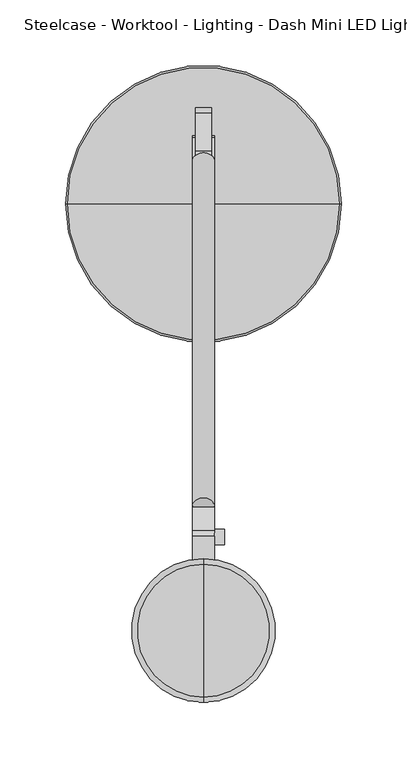
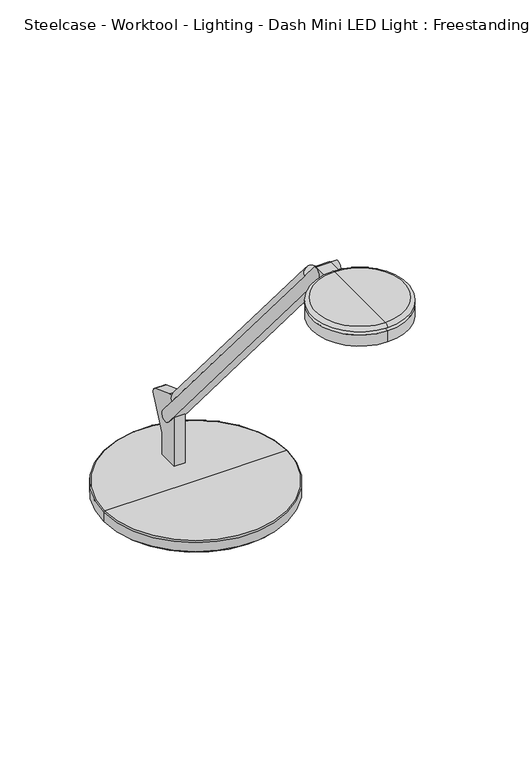
"""IFC4 building model written with IfcOpenShell, lengths in millimetres: furniture geometry, Steelcase - Worktool - Lighting - Dash Mini LED Light : Freestanding."""

from ifc_helpers import new_model, si_unit, point, frame, frame_2d, origin, place, context, project, spatial, polyline, circle_curve, ellipse_curve, trimmed, segment, composite_curve, outline, extrude, source, transform, mapped, element, save
from ifc_brep_helpers import plane_surface, cylinder_surface, revolved_surface, advanced_brep


def steelcase_worktool_lighting_dash_mini_led_light_freestanding_f6508700(model_context):
    return source(origin(), model_context, "Body", "SolidModel", [
        extrude(outline(composite_curve([segment(polyline([(8.509, -161.2861314), (-8.509, -161.2861314)]), True, "CONTINUOUS"), segment(trimmed(circle_curve(frame_2d((0.0, -161.2861314)), 8.509), [point((-8.509, -161.2861314))], [point((8.509, -161.2861314))], False, "CARTESIAN"), True, "CONTINUOUS")], self_intersect=False)), frame((0.0, 59.9275977, 934.0367561), z_axis=(0.0, -0.6453157173859881, 0.7639159802586981), x_axis=(1.0, 0.0, 0.0)), (0.0, 0.0, 1.0), 407.9752226),
        extrude(outline(composite_curve([segment(polyline([(1165.3599936, -383.6426805), (1162.4056, -381.1636499), (1162.4056, -366.3659959), (1151.5508717, -366.3659959), (1151.5508717, -352.0202702), (1154.3820582, -354.4102311)]), True, "CONTINUOUS"), segment(trimmed(circle_curve(frame_2d((1158.6105852, -349.1496158)), 6.7494084), [point((1154.3820582, -354.4102311))], [point((1165.3599936, -349.1496158))], True, "CARTESIAN"), True, "CONTINUOUS"), segment(polyline([(1165.3599936, -349.1496158), (1165.3599936, -383.6426805)]), True, "CONTINUOUS")], self_intersect=False)), frame((8.509, 0.0, 0.0), z_axis=(-1.0, 0.0, 0.0), x_axis=(0.0, 0.0, 1.0)), (0.0, 0.0, 1.0), 17.018),
        extrude(outline(composite_curve([segment(trimmed(circle_curve(frame_2d((-349.5772033, 1158.8861373)), 5.8982953), [point((-343.678908, 1158.8861373))], [point((-355.4754986, 1158.8861373))], False, "CARTESIAN"), True, "CONTINUOUS"), segment(trimmed(circle_curve(frame_2d((-349.5772033, 1158.8861373)), 5.8982953), [point((-355.4754986, 1158.8861373))], [point((-343.678908, 1158.8861373))], False, "CARTESIAN"), True, "CONTINUOUS")], self_intersect=False)), frame((8.509, 0.0, 0.0), z_axis=(1.0, 0.0, 0.0), x_axis=(0.0, 1.0, 0.0)), (0.0, 0.0, 1.0), 7.5184),
        extrude(outline(composite_curve([segment(trimmed(circle_curve(frame_2d((-57.2760289, 827.3462287)), 6.4968459), [point((-63.6335559, 826.008))], [point((-54.9477675, 833.4115568))], False, "CARTESIAN"), True, "CONTINUOUS"), segment(polyline([(-54.9477675, 833.4115568), (-26.3337634, 822.4276697)]), True, "CONTINUOUS"), segment(trimmed(circle_curve(frame_2d((-28.6602337, 816.3670075)), 6.491848), [point((-26.3337634, 822.4276697))], [point((-24.0322898, 811.8144009))], False, "CARTESIAN"), True, "CONTINUOUS"), segment(polyline([(-24.0322898, 811.8144009), (-39.5289559, 777.008319), (-39.5289559, 750.951), (-63.6335559, 750.951), (-63.6335559, 826.008)]), True, "CONTINUOUS")], self_intersect=False)), frame((-6.223, 0.0, 0.0), z_axis=(1.0, 0.0, 0.0), x_axis=(0.0, 1.0, 0.0)), (0.0, 0.0, 1.0), 12.446),
        advanced_brep(
        [(0.0, -95.563788, 750.9476331), (103.8479, -95.563788, 750.9476331), (-103.8479, -95.563788, 750.9476331), (-93.0792702, -95.563788, 731.9816908), (93.0792702, -95.563788, 731.9816908), (0.0, -95.563788, 731.9816908), (-93.0792702, -95.563788, 732.8852565), (93.0792702, -95.563788, 732.8852565), (-95.8939876, -95.563788, 732.8852565), (95.8939876, -95.563788, 732.8852565), (-102.4300117, -95.563788, 735.7952819), (102.4300117, -95.563788, 735.7952819), (-102.4300117, -95.563788, 738.6286331), (102.4300117, -95.563788, 738.6286331), (-105.3308643, -95.563788, 738.6286331), (105.3308643, -95.563788, 738.6286331), (-105.3308643, -95.563788, 749.4646687), (105.3308643, -95.563788, 749.4646687)],
        [
            (0, 1),
            (1, 2, circle_curve(frame((0.0, -95.563788, 750.9476331), z_axis=(0.0, 0.0, 1.0), x_axis=(1.0, 0.0, 0.0)), 103.8479)),
            (2, 0),
            (2, 1, circle_curve(frame((0.0, -95.563788, 750.9476331), z_axis=(0.0, 0.0, 1.0), x_axis=(1.0, 0.0, 0.0)), 103.8479)),
            (3, 4, circle_curve(frame((0.0, -95.563788, 731.9816908), z_axis=(0.0, 0.0, -1.0), x_axis=(1.0, 0.0, 0.0)), 93.0792702)),
            (4, 5),
            (5, 3),
            (4, 3, circle_curve(frame((0.0, -95.563788, 731.9816908), z_axis=(0.0, 0.0, -1.0), x_axis=(1.0, 0.0, 0.0)), 93.0792702)),
            (6, 7, circle_curve(frame((0.0, -95.563788, 732.8852565), z_axis=(0.0, 0.0, -1.0), x_axis=(1.0, 0.0, 0.0)), 93.0792702)),
            (7, 4),
            (3, 6),
            (7, 6, circle_curve(frame((0.0, -95.563788, 732.8852565), z_axis=(0.0, 0.0, -1.0), x_axis=(1.0, 0.0, 0.0)), 93.0792702)),
            (8, 9, circle_curve(frame((0.0, -95.563788, 732.8852565), z_axis=(0.0, 0.0, -1.0), x_axis=(1.0, 0.0, 0.0)), 95.8939876)),
            (9, 7),
            (6, 8),
            (9, 8, circle_curve(frame((0.0, -95.563788, 732.8852565), z_axis=(0.0, 0.0, -1.0), x_axis=(1.0, 0.0, 0.0)), 95.8939876)),
            (10, 11, circle_curve(frame((0.0, -95.563788, 735.7952819), z_axis=(0.0, 0.0, -1.0), x_axis=(1.0, 0.0, 0.0)), 102.4300117)),
            (11, 9),
            (8, 10),
            (11, 10, circle_curve(frame((0.0, -95.563788, 735.7952819), z_axis=(0.0, 0.0, -1.0), x_axis=(1.0, 0.0, 0.0)), 102.4300117)),
            (12, 13, circle_curve(frame((0.0, -95.563788, 738.6286331), z_axis=(0.0, 0.0, -1.0), x_axis=(1.0, 0.0, 0.0)), 102.4300117)),
            (13, 11),
            (10, 12),
            (13, 12, circle_curve(frame((0.0, -95.563788, 738.6286331), z_axis=(0.0, 0.0, -1.0), x_axis=(1.0, 0.0, 0.0)), 102.4300117)),
            (14, 15, circle_curve(frame((0.0, -95.563788, 738.6286331), z_axis=(0.0, 0.0, -1.0), x_axis=(1.0, 0.0, 0.0)), 105.3308643)),
            (15, 13),
            (12, 14),
            (15, 14, circle_curve(frame((0.0, -95.563788, 738.6286331), z_axis=(0.0, 0.0, -1.0), x_axis=(1.0, 0.0, 0.0)), 105.3308643)),
            (16, 17, circle_curve(frame((0.0, -95.563788, 749.4646687), z_axis=(0.0, 0.0, -1.0), x_axis=(1.0, 0.0, 0.0)), 105.3308643)),
            (17, 15),
            (14, 16),
            (17, 16, circle_curve(frame((0.0, -95.563788, 749.4646687), z_axis=(0.0, 0.0, -1.0), x_axis=(1.0, 0.0, 0.0)), 105.3308643)),
            (1, 17, circle_curve(frame((103.8479, -95.563788, 749.4646687), z_axis=(0.0, 1.0, 0.0), x_axis=(1.0, 0.0, 0.0)), 1.4829643)),
            (16, 2, circle_curve(frame((-103.8479, -95.563788, 749.4646687), z_axis=(0.0, 1.0, 0.0), x_axis=(-1.0, 0.0, 0.0)), 1.4829643)),
        ],
        [
            plane_surface(frame((0.0, -95.563788, 750.9476331), z_axis=(0.0, 0.0, 1.0), x_axis=(1.0, 0.0, 0.0))),
            plane_surface(frame((0.0, -95.563788, 731.9816908), z_axis=(0.0, 0.0, -1.0), x_axis=(1.0, 0.0, 0.0))),
            cylinder_surface(frame((0.0, -95.563788, 757.2976331), z_axis=(0.0, 0.0, 1.0), x_axis=(1.0, 0.0, 0.0)), 93.0792702),
            plane_surface(frame((0.0, -95.563788, 732.8852565), z_axis=(0.0, 0.0, -1.0), x_axis=(1.0, 0.0, 0.0))),
            revolved_surface(polyline([(95.8939876, -95.563788, 732.8852565), (102.4300117, -95.563788, 735.7952819)]), (0.0, -95.563788, 757.2976331), (0.0, 0.0, 1.0)),
            cylinder_surface(frame((0.0, -95.563788, 757.2976331), z_axis=(0.0, 0.0, 1.0), x_axis=(1.0, 0.0, 0.0)), 102.4300117),
            plane_surface(frame((0.0, -95.563788, 738.6286331), z_axis=(0.0, 0.0, -1.0), x_axis=(1.0, 0.0, 0.0))),
            cylinder_surface(frame((0.0, -95.563788, 757.2976331), z_axis=(0.0, 0.0, 1.0), x_axis=(1.0, 0.0, 0.0)), 105.3308643),
            revolved_surface(trimmed(ellipse_curve(frame((103.8479, -95.563788, 749.4646687), z_axis=(0.0, -1.0, 0.0), x_axis=(1.0, 0.0, 0.0)), 1.4829643, 1.4829643), [point((105.3308643, -95.563788, 749.4646687))], [point((103.8479, -95.563788, 750.9476331))], True, "CARTESIAN"), (0.0, -95.563788, 757.2976331), (0.0, 0.0, 1.0)),
        ],
        [
            (0, [[1, 2, 3]]),
            (0, [[-3, 4, -1]]),
            (1, [[5, 6, 7]]),
            (1, [[8, -7, -6]]),
            (2, [[9, 10, -5, 11]]),
            (2, [[12, -11, -8, -10]]),
            (3, [[13, 14, -9, 15]]),
            (3, [[16, -15, -12, -14]]),
            (4, [[17, 18, -13, 19]]),
            (4, [[20, -19, -16, -18]]),
            (5, [[21, 22, -17, 23]]),
            (5, [[24, -23, -20, -22]]),
            (6, [[25, 26, -21, 27]]),
            (6, [[28, -27, -24, -26]]),
            (7, [[29, 30, -25, 31]]),
            (7, [[32, -31, -28, -30]]),
            (8, [[-2, 33, -29, 34]]),
            (8, [[-4, -34, -32, -33]]),
        ],
    ),
        advanced_brep(
        [(0.0, -366.3659959, 1166.2156), (0.0, -475.8399959, 1166.2156), (0.0, -471.7839412, 1170.0256), (0.0, -370.4220506, 1170.0256), (0.0, -384.354515, 1166.2156), (0.0, -457.8514768, 1166.2156), (0.0, -381.6867242, 1162.4056), (0.0, -460.5192676, 1162.4056), (0.0, -366.3659959, 1162.4056), (0.0, -475.8399959, 1162.4056), (0.0, -366.3659959, 1149.0706), (0.0, -475.8399959, 1149.0706), (0.0, -421.1029959, 1149.0706), (0.0, -421.1029959, 1170.0256)],
        [
            (0, 1, circle_curve(frame((0.0, -421.1029959, 1166.2156), z_axis=(0.0, 0.0, 1.0), x_axis=(0.0, -1.0, 0.0)), 54.737)),
            (1, 2, circle_curve(frame((0.0, -471.7839412, 1165.9616), z_axis=(-1.0, 0.0, 0.0), x_axis=(0.0, -1.0, 0.0)), 4.064)),
            (2, 3, circle_curve(frame((0.0, -421.1029959, 1170.0256), z_axis=(0.0, 0.0, -1.0), x_axis=(0.0, -1.0, 0.0)), 50.6809453)),
            (3, 0, circle_curve(frame((0.0, -370.4220506, 1165.9616), z_axis=(-1.0, 0.0, 0.0), x_axis=(0.0, 1.0, 0.0)), 4.064)),
            (1, 0, circle_curve(frame((0.0, -421.1029959, 1166.2156), z_axis=(0.0, 0.0, 1.0), x_axis=(0.0, -1.0, 0.0)), 54.737)),
            (3, 2, circle_curve(frame((0.0, -421.1029959, 1170.0256), z_axis=(0.0, 0.0, -1.0), x_axis=(0.0, -1.0, 0.0)), 50.6809453)),
            (4, 5, circle_curve(frame((0.0, -421.1029959, 1166.2156), z_axis=(0.0, 0.0, 1.0), x_axis=(0.0, -1.0, 0.0)), 36.7484809)),
            (5, 1),
            (0, 4),
            (5, 4, circle_curve(frame((0.0, -421.1029959, 1166.2156), z_axis=(0.0, 0.0, 1.0), x_axis=(0.0, -1.0, 0.0)), 36.7484809)),
            (6, 7, circle_curve(frame((0.0, -421.1029959, 1162.4056), z_axis=(0.0, 0.0, 1.0), x_axis=(0.0, -1.0, 0.0)), 39.4162717)),
            (7, 5),
            (4, 6),
            (7, 6, circle_curve(frame((0.0, -421.1029959, 1162.4056), z_axis=(0.0, 0.0, 1.0), x_axis=(0.0, -1.0, 0.0)), 39.4162717)),
            (8, 9, circle_curve(frame((0.0, -421.1029959, 1162.4056), z_axis=(0.0, 0.0, 1.0), x_axis=(0.0, -1.0, 0.0)), 54.737)),
            (9, 7),
            (6, 8),
            (9, 8, circle_curve(frame((0.0, -421.1029959, 1162.4056), z_axis=(0.0, 0.0, 1.0), x_axis=(0.0, -1.0, 0.0)), 54.737)),
            (10, 11, circle_curve(frame((0.0, -421.1029959, 1149.0706), z_axis=(0.0, 0.0, 1.0), x_axis=(0.0, -1.0, 0.0)), 54.737)),
            (11, 9),
            (8, 10),
            (11, 10, circle_curve(frame((0.0, -421.1029959, 1149.0706), z_axis=(0.0, 0.0, 1.0), x_axis=(0.0, -1.0, 0.0)), 54.737)),
            (12, 11),
            (10, 12),
            (2, 13),
            (13, 3),
        ],
        [
            revolved_surface(trimmed(ellipse_curve(frame((0.0, -471.7839412, 1165.9616), z_axis=(1.0, 0.0, 0.0), x_axis=(0.0, -1.0, 0.0)), 4.064, 4.064), [point((0.0, -471.7839412, 1170.0256))], [point((0.0, -475.8399959, 1166.2156))], True, "CARTESIAN"), (0.0, -421.1029959, 1170.0256), (0.0, 0.0, -1.0)),
            plane_surface(frame((0.0, -421.1029959, 1166.2156), z_axis=(0.0, 0.0, -1.0), x_axis=(0.0, -1.0, 0.0))),
            revolved_surface(polyline([(0.0, -457.8514768, 1166.2156), (0.0, -460.5192676, 1162.4056)]), (0.0, -421.1029959, 1170.0256), (0.0, 0.0, -1.0)),
            plane_surface(frame((0.0, -421.1029959, 1162.4056), z_axis=(0.0, 0.0, 1.0), x_axis=(0.0, -1.0, 0.0))),
            cylinder_surface(frame((0.0, -421.1029959, 1170.0256), z_axis=(0.0, 0.0, -1.0), x_axis=(0.0, -1.0, 0.0)), 54.737),
            plane_surface(frame((0.0, -421.1029959, 1149.0706), z_axis=(0.0, 0.0, -1.0), x_axis=(0.0, -1.0, 0.0))),
            plane_surface(frame((0.0, -421.1029959, 1170.0256), z_axis=(0.0, 0.0, 1.0), x_axis=(0.0, -1.0, 0.0))),
        ],
        [
            (0, [[1, 2, 3, 4]]),
            (0, [[5, -4, 6, -2]]),
            (1, [[7, 8, -1, 9]]),
            (1, [[10, -9, -5, -8]]),
            (2, [[11, 12, -7, 13]]),
            (2, [[14, -13, -10, -12]]),
            (3, [[15, 16, -11, 17]]),
            (3, [[18, -17, -14, -16]]),
            (4, [[19, 20, -15, 21]]),
            (4, [[22, -21, -18, -20]]),
            (5, [[23, -19, 24]]),
            (5, [[-24, -22, -23]]),
            (6, [[-3, 25, 26]]),
            (6, [[-6, -26, -25]]),
        ],
    ),
        extrude(outline(composite_curve([segment(trimmed(circle_curve(frame_2d((-50.3508694, 804.4209036)), 6.6004988), [point((-45.3086429, 808.6803092))], [point((-55.394567, 800.16324))], False, "CARTESIAN"), True, "CONTINUOUS"), segment(polyline([(-55.394567, 800.16324), (-354.4102311, 1154.3820582)]), True, "CONTINUOUS"), segment(trimmed(circle_curve(frame_2d((-349.4277131, 1158.5880769)), 6.5204355), [point((-354.4102311, 1154.3820582))], [point((-344.4466482, 1162.7958164))], False, "CARTESIAN"), True, "CONTINUOUS"), segment(polyline([(-344.4466482, 1162.7958164), (-45.3086429, 808.6803092)]), True, "CONTINUOUS")], self_intersect=False)), frame((-8.509, 0.0, 0.0), z_axis=(1.0, 0.0, 0.0), x_axis=(0.0, 1.0, 0.0)), (0.0, 0.0, 1.0), 17.018),
    ])


if __name__ == "__main__":
    model = new_model("IFC4")
    model_context = context("Model", 3, world=origin())
    ifc_project = project(units=[si_unit("LENGTHUNIT", "METRE", prefix="MILLI")], contexts=[model_context])
    site = spatial("IfcSite", under=ifc_project)
    building = spatial("IfcBuilding", under=site)
    placement = place(None, origin())
    steelcase_worktool_lighting_dash_mini_led_light_freestanding_shape = steelcase_worktool_lighting_dash_mini_led_light_freestanding_f6508700(model_context)
    element("IfcFurniture", 1, ObjectType="Steelcase - Worktool - Lighting - Dash Mini LED Light : Freestanding", at=placement, inside=building, context=model_context, shape_type="MappedRepresentation", body=[
        mapped(steelcase_worktool_lighting_dash_mini_led_light_freestanding_shape, transform((0.0, 0.0, 0.0), x_axis=(1.0, 0.0, 0.0), y_axis=(0.0, 1.0, 0.0), z_axis=(0.0, 0.0, 1.0))),
    ])
    save(model, "model.ifc")
